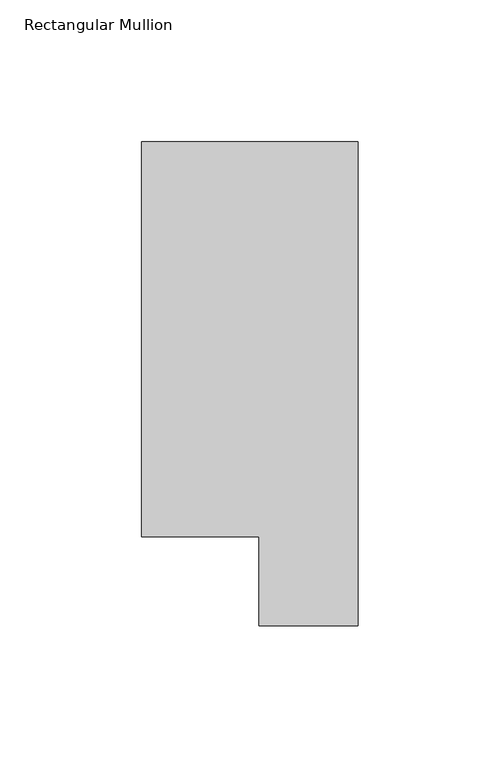
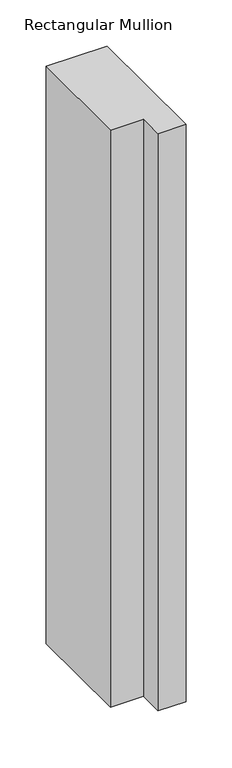
"""IFC4 building model written with IfcOpenShell, lengths in millimetres: member geometry, Rectangular Mullion."""

from ifc_helpers import new_model, si_unit, frame, origin, place, context, project, spatial, polyline, outline, extrude, source, transform, mapped, element, save


def rectangular_mullion_f7d9b900(model_context):
    return source(origin(), model_context, "Body", "SweptSolid", [
        extrude(outline(polyline([(-76.2, 190.0007313), (0.0, 190.0007313), (0.0, 19.5667313), (-34.9123, 19.5667313), (-34.9123, 50.820278), (-76.2, 50.820278), (-76.2, 190.0007313)])), frame((0.0, 0.0, -762.0), z_axis=(0.0, 0.0, 1.0), x_axis=(1.0, 0.0, 0.0)), (0.0, 0.0, 1.0), 762.0),
    ])


if __name__ == "__main__":
    model = new_model("IFC4")
    model_context = context("Model", 3, world=origin())
    ifc_project = project(units=[si_unit("LENGTHUNIT", "METRE", prefix="MILLI")], contexts=[model_context])
    site = spatial("IfcSite", under=ifc_project)
    building = spatial("IfcBuilding", under=site)
    placement = place(None, origin())
    rectangular_mullion_shape = rectangular_mullion_f7d9b900(model_context)
    element("IfcMember", 1, ObjectType="Rectangular Mullion", at=placement, inside=building, context=model_context, shape_type="MappedRepresentation", body=[
        mapped(rectangular_mullion_shape, transform((0.0, 0.0, 0.0), x_axis=(1.0, 0.0, 0.0), y_axis=(0.0, 1.0, 0.0), z_axis=(0.0, 0.0, 1.0))),
    ])
    save(model, "model.ifc")
